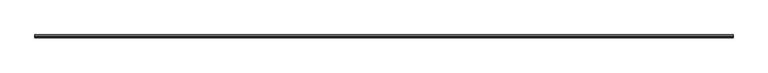
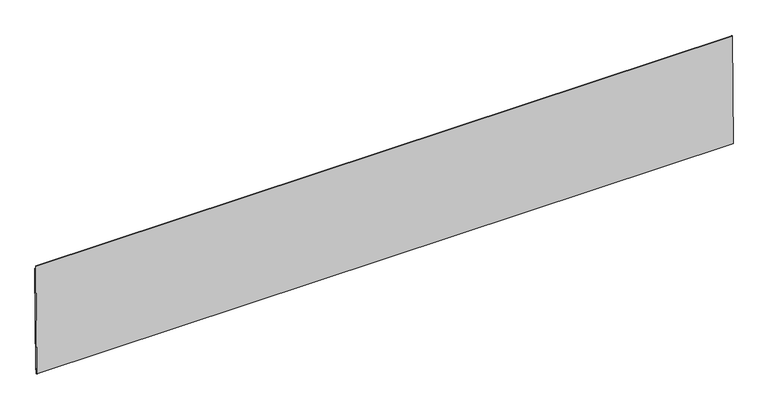
"""IFC4 building model written with IfcOpenShell, lengths in millimetres: proxy geometry."""

from ifc_helpers import new_model, si_unit, frame, origin, place, context, project, spatial, polyline, outline, extrude, source, transform, mapped, element, save


def generic_models_be356f4e(model_context):
    return source(origin(), model_context, "Body", "SweptSolid", [
        extrude(outline(polyline([(2.6998977, 592.7716464), (-2.396998, 129.2496683), (-4.7781041, 129.275851), (-4.6908285, 137.2128712), (-7.27036, 137.2412357), (-7.5321869, 113.4301752), (-9.5025993, 113.4518419), (-10.4975078, 114.4688737), (-5.0736329, 607.7269922), (-4.0566011, 608.7219007), (-2.6751156, 608.7067098), (-2.8496668, 592.8326695), (2.6998977, 592.7716464)])), frame((-1825.625, 0.0, 0.0), z_axis=(1.0, 0.0, 0.0), x_axis=(0.0, 1.0, 0.0)), (0.0, 0.0, 1.0), 3044.825),
    ])


if __name__ == "__main__":
    model = new_model("IFC4")
    model_context = context("Model", 3, world=origin())
    ifc_project = project(units=[si_unit("LENGTHUNIT", "METRE", prefix="MILLI")], contexts=[model_context])
    site = spatial("IfcSite", under=ifc_project)
    building = spatial("IfcBuilding", under=site)
    placement = place(None, origin())
    generic_models_shape = generic_models_be356f4e(model_context)
    element("IfcBuildingElementProxy", 1, Name="Generic Models", at=placement, inside=building, context=model_context, shape_type="MappedRepresentation", body=[
        mapped(generic_models_shape, transform((0.0, 0.0, 0.0), x_axis=(1.0, 0.0, 0.0), y_axis=(0.0, 1.0, 0.0), z_axis=(0.0, 0.0, 1.0))),
    ])
    save(model, "model.ifc")
